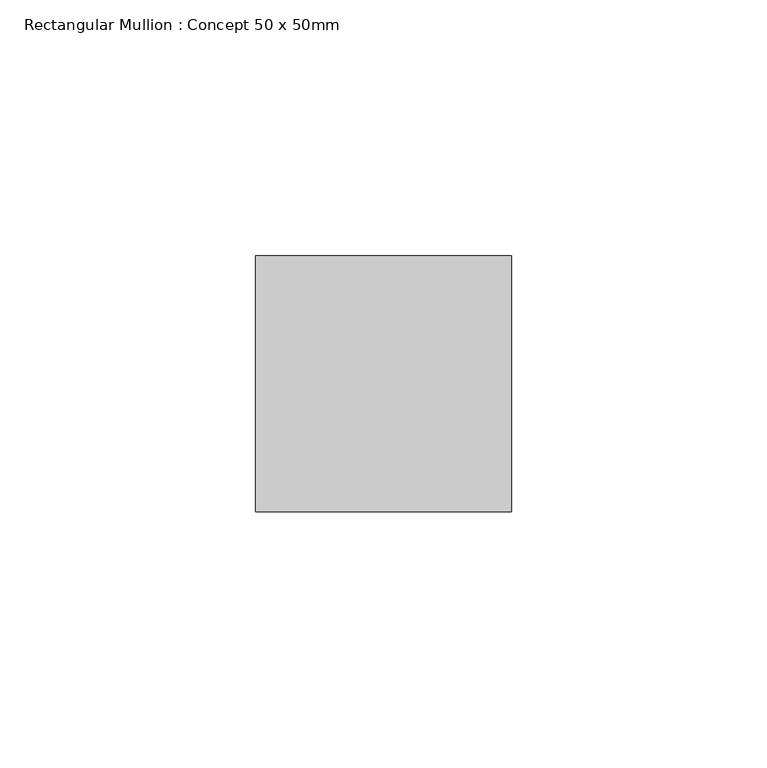
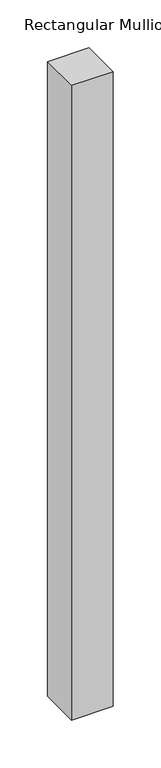
"""IFC4 building model written with IfcOpenShell, lengths in millimetres: member geometry, Rectangular Mullion : Concept 50 x 50mm."""

from ifc_helpers import new_model, si_unit, frame, origin, place, context, project, spatial, polyline, outline, extrude, source, transform, mapped, element, save


def rectangular_mullion_concept_50_x_50mm_35c4b7d6(model_context):
    return source(origin(), model_context, "Body", "SweptSolid", [
        extrude(outline(polyline([(25.0, 50.0), (25.0, 0.0), (-25.0, 0.0), (-25.0, 50.0), (25.0, 50.0)])), frame((0.0, 0.0, -810.0), z_axis=(0.0, 0.0, 1.0), x_axis=(1.0, 0.0, 0.0)), (0.0, 0.0, 1.0), 810.0),
    ])


if __name__ == "__main__":
    model = new_model("IFC4")
    model_context = context("Model", 3, world=origin())
    ifc_project = project(units=[si_unit("LENGTHUNIT", "METRE", prefix="MILLI")], contexts=[model_context])
    site = spatial("IfcSite", under=ifc_project)
    building = spatial("IfcBuilding", under=site)
    placement = place(None, origin())
    rectangular_mullion_concept_50_x_50mm_shape = rectangular_mullion_concept_50_x_50mm_35c4b7d6(model_context)
    element("IfcMember", 1, ObjectType="Rectangular Mullion : Concept 50 x 50mm", at=placement, inside=building, context=model_context, shape_type="MappedRepresentation", body=[
        mapped(rectangular_mullion_concept_50_x_50mm_shape, transform((0.0, 0.0, 0.0), x_axis=(1.0, 0.0, 0.0), y_axis=(0.0, 1.0, 0.0), z_axis=(0.0, 0.0, 1.0))),
    ])
    save(model, "model.ifc")
